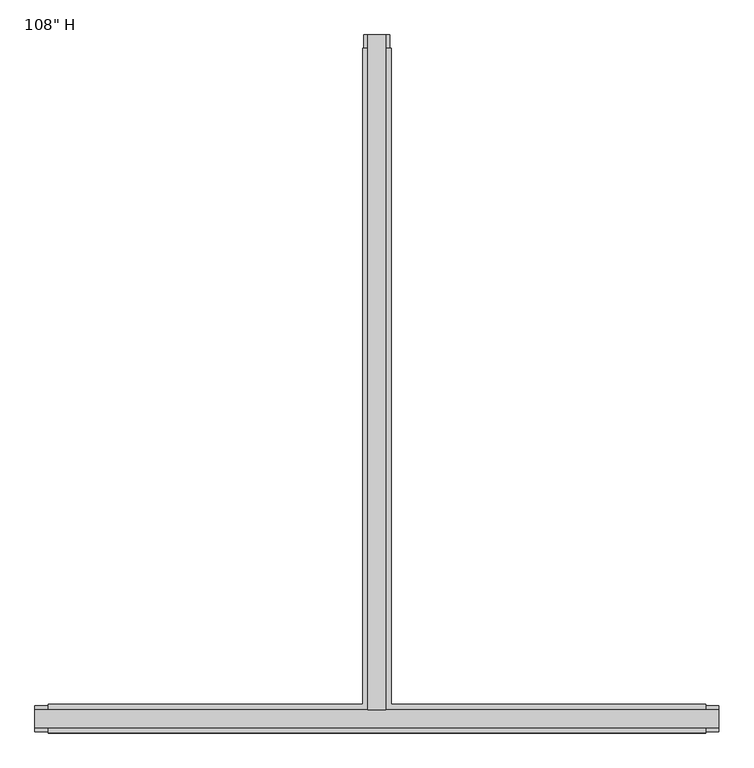
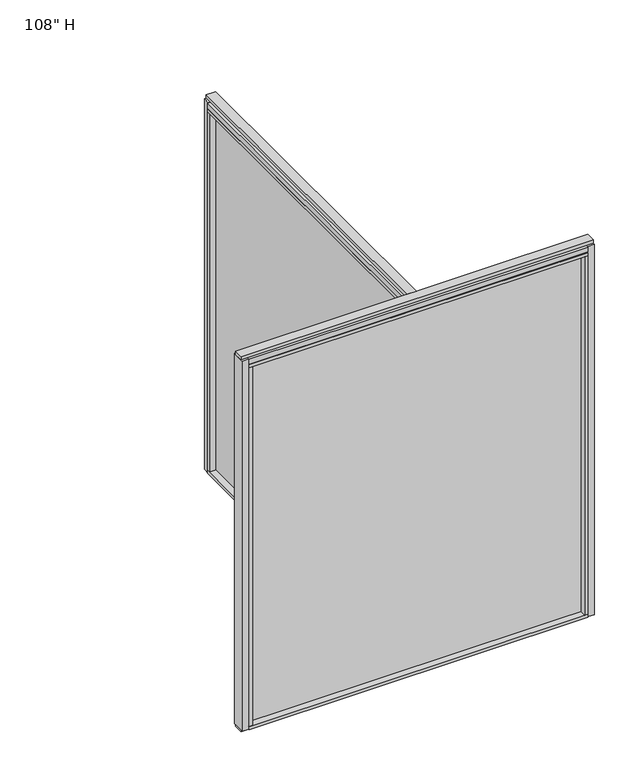
"""IFC4 building model written with IfcOpenShell, lengths in millimetres: furniture geometry."""

import ifcopenshell
import ifcopenshell.guid

model = None  # the IFC model being written
_history = None  # IfcOwnerHistory: only IFC2X3 demands one
_inside = {}  # id of a spatial element -> (the spatial element, [elements in it])
_under = {}  # id of a project, library or spatial element -> (it, [spatial elements below it])
_declared = {}  # id of a project -> (the project, [libraries it declares])
_typed = {}  # id of a type object -> (the type object, [elements of that type])
_made_of = {}  # id of a material, layer set ... -> (it, [elements and type objects made of it])


def new_model(schema):
    """Start an empty IFC model of exactly this schema.

    Asked for "IFC4X3", IfcOpenShell would pick the latest addendum, in which some entities
    have other attributes; the version numbers below select the first issue.
    IFC2X3 requires an IfcOwnerHistory on every rooted entity: one is made here for all.
    """
    global model, _history
    if schema == "IFC4X3":
        model = ifcopenshell.file(schema_version=(4, 3, 0, 0))
    else:
        model = ifcopenshell.file(schema=schema)
    _inside.clear()
    _under.clear()
    _declared.clear()
    _typed.clear()
    _made_of.clear()
    _history = None
    if model.schema == "IFC2X3":
        org = make("IfcOrganization", Name="unknown")
        user = make(
            "IfcPersonAndOrganization",
            ThePerson=make("IfcPerson", FamilyName="unknown"),
            TheOrganization=org,
        )
        app = make(
            "IfcApplication",
            ApplicationDeveloper=org,
            Version="unknown",
            ApplicationFullName="unknown",
            ApplicationIdentifier="unknown",
        )
        _history = make(
            "IfcOwnerHistory",
            OwningUser=user,
            OwningApplication=app,
            ChangeAction="ADDED",
            CreationDate=0,
        )
    return model


def make(cls, **values):
    """One entity of the class cls with the attributes given. An attribute that is None is left unset."""
    return model.create_entity(
        cls, **{name: value for name, value in values.items() if value is not None}
    )


def rooted(cls, **values):
    """An entity with a GlobalId (a new one), such as an element, a storey or a relation."""
    return make(cls, GlobalId=ifcopenshell.guid.new(), OwnerHistory=_history, **values)


def si_unit(unit_type, name, prefix=None):
    """IfcSIUnit, for example si_unit("LENGTHUNIT", "METRE", prefix="MILLI")."""
    return make("IfcSIUnit", UnitType=unit_type, Prefix=prefix, Name=name)


def assignment(units):
    """IfcUnitAssignment: the units of a project."""
    return None if units is None else make("IfcUnitAssignment", Units=units)


def point(xyz):
    """IfcCartesianPoint."""
    return None if xyz is None else make("IfcCartesianPoint", Coordinates=xyz)


def direction(xyz):
    """IfcDirection."""
    return None if xyz is None else make("IfcDirection", DirectionRatios=xyz)


def frame(location, z_axis=None, x_axis=None):
    """IfcAxis2Placement3D, a coordinate frame: its origin and axes. An axis left out is left unset."""
    return make(
        "IfcAxis2Placement3D",
        Location=point(location),
        Axis=direction(z_axis),
        RefDirection=direction(x_axis),
    )


def origin():
    """The frame at (0, 0, 0) with its axes left unset."""
    return frame((0.0, 0.0, 0.0))


def origin_with_axes():
    """The frame at (0, 0, 0) with the z axis (0, 0, 1) and the x axis (1, 0, 0) written out."""
    return frame((0.0, 0.0, 0.0), z_axis=(0.0, 0.0, 1.0), x_axis=(1.0, 0.0, 0.0))


def place(relative_to, where):
    """IfcLocalPlacement: puts the frame where relative to a parent placement (None: the world)."""
    return make(
        "IfcLocalPlacement", PlacementRelTo=relative_to, RelativePlacement=where
    )


def context(
    kind, dimensions, precision=None, world=None, true_north=None, identifier=None
):
    """IfcGeometricRepresentationContext, for example the 3D "Model" context."""
    return make(
        "IfcGeometricRepresentationContext",
        ContextIdentifier=identifier,
        ContextType=kind,
        CoordinateSpaceDimension=dimensions,
        Precision=precision,
        WorldCoordinateSystem=world,
        TrueNorth=true_north,
    )


def project(units=None, contexts=None):
    """IfcProject with its units and contexts."""
    return rooted(
        "IfcProject",
        Name="project",
        RepresentationContexts=contexts,
        UnitsInContext=assignment(units),
    )


def spatial(cls, under=None, at=None, **own):
    """A site, building, storey or space (cls), placed at a placement, below another one or the project."""
    s = rooted(cls, ObjectPlacement=at, **own)
    if under is not None:
        _under.setdefault(under.id(), (under, []))[1].append(s)
    return s


def polyline(points):
    """IfcPolyline through the points."""
    return make("IfcPolyline", Points=[point(p) for p in points])


def outline(outer, holes=None, kind="AREA"):
    """IfcArbitraryClosedProfileDef: a profile drawn as a closed curve; with holes, ...WithVoids."""
    if holes is None:
        return make("IfcArbitraryClosedProfileDef", ProfileType=kind, OuterCurve=outer)
    return make(
        "IfcArbitraryProfileDefWithVoids",
        ProfileType=kind,
        OuterCurve=outer,
        InnerCurves=holes,
    )


def extrude(swept, where, along, depth):
    """IfcExtrudedAreaSolid: the profile swept, set in the frame where, extruded along a direction by depth."""
    return make(
        "IfcExtrudedAreaSolid",
        SweptArea=swept,
        Position=where,
        ExtrudedDirection=direction(along),
        Depth=depth,
    )


def faces_of(points, faces, orient=None, outer=None):
    """IfcFace entities. A face is a list of loops; a loop is a list of indices into points, from 0.

    orient and outer hold one flag for each loop. By default every Orientation is true, the
    first loop of a face is its IfcFaceOuterBound and the others are IfcFaceBound.
    """
    made = []
    for i, loops in enumerate(faces):
        bounds = []
        for j, loop in enumerate(loops):
            is_outer = j == 0 if outer is None else outer[i][j]
            bounds.append(
                make(
                    "IfcFaceOuterBound" if is_outer else "IfcFaceBound",
                    Bound=make("IfcPolyLoop", Polygon=[points[k] for k in loop]),
                    Orientation=True if orient is None else orient[i][j],
                )
            )
        made.append(make("IfcFace", Bounds=bounds))
    return made


def faceted_brep(points, faces, orient=None, outer=None, voids=None):
    """IfcFacetedBrep: a solid bounded by flat faces; with voids (closed shells), ...WithVoids."""
    shared = [point(p) for p in points]
    hull = make("IfcClosedShell", CfsFaces=faces_of(shared, faces, orient, outer))
    if voids is None:
        return make("IfcFacetedBrep", Outer=hull)
    return make(
        "IfcFacetedBrepWithVoids",
        Outer=hull,
        Voids=[
            make(cls, CfsFaces=faces_of(shared, fs, o, b)) for cls, fs, o, b in voids
        ],
    )


def shape(context_of_items, identifier, shape_type, items):
    """IfcShapeRepresentation: the items that make up one representation, for example the "Body"."""
    return make(
        "IfcShapeRepresentation",
        ContextOfItems=context_of_items,
        RepresentationIdentifier=identifier,
        RepresentationType=shape_type,
        Items=items,
    )


def source(mapping_origin, context_of_items, identifier, shape_type, items):
    """IfcRepresentationMap: a shape defined once, which mapped items show again and again."""
    return make(
        "IfcRepresentationMap",
        MappingOrigin=mapping_origin,
        MappedRepresentation=shape(context_of_items, identifier, shape_type, items),
    )


def transform(
    local_origin,
    x_axis=None,
    y_axis=None,
    z_axis=None,
    scale=None,
    scale2=None,
    scale3=None,
    uniform=True,
):
    """IfcCartesianTransformationOperator3D, or its non-uniform kind. x_axis, y_axis, z_axis: its Axis1, 2, 3."""
    if uniform:
        return make(
            "IfcCartesianTransformationOperator3D",
            Axis1=direction(x_axis),
            Axis2=direction(y_axis),
            LocalOrigin=point(local_origin),
            Scale=scale,
            Axis3=direction(z_axis),
        )
    return make(
        "IfcCartesianTransformationOperator3DnonUniform",
        Axis1=direction(x_axis),
        Axis2=direction(y_axis),
        LocalOrigin=point(local_origin),
        Scale=scale,
        Axis3=direction(z_axis),
        Scale2=scale2,
        Scale3=scale3,
    )


def mapped(mapping_source, mapping_target):
    """IfcMappedItem: shows the shape of a source again, moved by a transform."""
    return make(
        "IfcMappedItem", MappingSource=mapping_source, MappingTarget=mapping_target
    )


def made_of(thing, what):
    """Note that an element or type object is made of a material, layer set ...; save() writes the relation."""
    if what is not None:
        _made_of.setdefault(what.id(), (what, []))[1].append(thing)
    return thing


def element(
    cls,
    number,
    at=None,
    inside=None,
    cuts=None,
    type_object=None,
    material=None,
    context=None,
    identifier="Body",
    shape_type=None,
    held_by="IfcProductDefinitionShape",
    body=None,
    shapes=None,
    **own,
):
    """One element of the class cls, such as IfcWall. Its Tag is "e" and its number.

    at: its placement. inside: the storey or other place that contains it. cuts: it is an
    opening in that element (IfcRelVoidsElement). A single representation is given by context,
    identifier, shape_type and body (its items); several are given by shapes. held_by: the class
    of the entity that holds the representations. save() writes the other relations.
    """
    e = rooted(cls, Tag="e%d" % number, ObjectPlacement=at, **own)
    if body is not None:
        shapes = [shape(context, identifier, shape_type, body)]
    if shapes is not None:
        e.Representation = make(held_by, Representations=shapes)
    if inside is not None:
        _inside.setdefault(inside.id(), (inside, []))[1].append(e)
    if cuts is not None:
        rooted(
            "IfcRelVoidsElement", RelatingBuildingElement=cuts, RelatedOpeningElement=e
        )
    if type_object is not None:
        _typed.setdefault(type_object.id(), (type_object, []))[1].append(e)
    return made_of(e, material)


def aggregate(whole, parts):
    """IfcRelAggregates: a whole, such as a stair, and the parts it consists of."""
    return rooted("IfcRelAggregates", RelatingObject=whole, RelatedObjects=parts)


def save(model, path):
    """Write the relations noted so far, then the file.

    IfcRelAggregates (storeys below a building ...), IfcRelContainedInSpatialStructure (elements
    in a storey), IfcRelDefinesByType, IfcRelAssociatesMaterial and IfcRelDeclares: one each for
    every whole, place, type object, material and project.
    """
    for whole, parts in _under.values():
        aggregate(whole, parts)
    for where, things in _inside.values():
        rooted(
            "IfcRelContainedInSpatialStructure",
            RelatedElements=things,
            RelatingStructure=where,
        )
    for kind, things in _typed.values():
        rooted("IfcRelDefinesByType", RelatedObjects=things, RelatingType=kind)
    for what, things in _made_of.values():
        rooted("IfcRelAssociatesMaterial", RelatedObjects=things, RelatingMaterial=what)
    for by, libraries in _declared.values():
        rooted("IfcRelDeclares", RelatingContext=by, RelatedDefinitions=libraries)
    model.write(path)


def furniture_6ad2f575(model_context):
    return source(origin(), model_context, "Body", "SolidModel", [
        extrude(outline(polyline([(-65.1165229, 0.5622784), (-65.1165229, 2364.7942784), (-54.9565229, 2364.7942784), (-54.9565229, 0.5622784), (-65.1165229, 0.5622784)])), frame((0.0, 0.0, 31.75), z_axis=(0.0, 0.0, 1.0), x_axis=(1.0, 0.0, 0.0)), (0.0, 0.0, 1.0), 2622.55),
        extrude(outline(polyline([(1090.0754771, -9.5977216), (-1210.1485229, -9.5977216), (-1210.1485229, 0.5622784), (1090.0754771, 0.5622784), (1090.0754771, -9.5977216)])), frame((0.0, 0.0, 31.75), z_axis=(0.0, 0.0, 1.0), x_axis=(1.0, 0.0, 0.0)), (0.0, 0.0, 1.0), 2622.55),
        extrude(outline(polyline([(-110.8365229, 2387.0192784), (-9.2365229, 2387.0192784), (-9.2365229, 46.2822784), (1112.3004771, 46.2822784), (1112.3004771, -55.3177216), (-1232.3735229, -55.3177216), (-1232.3735229, 46.2822784), (-110.8365229, 46.2822784), (-110.8365229, 2387.0192784)])), frame((0.0, 0.0, 2654.3), z_axis=(0.0, 0.0, 1.0), x_axis=(1.0, 0.0, 0.0)), (0.0, 0.0, 1.0), 22.225),
        faceted_brep([(-105.8835229, 46.2822784, 2681.478), (-105.8835229, 46.2822784, 2676.525), (-14.1895229, 46.2822784, 2676.525), (-14.1895229, 46.2822784, 2681.478), (-110.8365229, 2387.0192784, 2681.478), (-110.8365229, 2387.0192784, 2717.8), (-9.2365229, 2387.0192784, 2717.8), (-9.2365229, 2387.0192784, 2681.478), (-14.1895229, 2387.0192784, 2681.478), (-14.1895229, 2387.0192784, 2676.525), (-105.8835229, 2387.0192784, 2676.525), (-105.8835229, 2387.0192784, 2681.478), (-9.2365229, 46.2822784, 2681.478), (1112.3004771, 46.2822784, 2681.478), (1112.3004771, 41.3292784, 2681.478), (-1232.3735229, 41.3292784, 2681.478), (-1232.3735229, 46.2822784, 2681.478), (-110.8365229, 46.2822784, 2681.478), (-9.2365229, 46.2822784, 2717.8), (-110.8365229, 46.2822784, 2717.8), (-1232.3735229, 46.2822784, 2717.8), (-1232.3735229, -55.3177216, 2717.8), (1112.3004771, -55.3177216, 2717.8), (1112.3004771, 46.2822784, 2717.8), (-1232.3735229, -55.3177216, 2681.478), (-1232.3735229, 41.3292784, 2676.525), (-1232.3735229, -50.3647216, 2676.525), (-1232.3735229, -50.3647216, 2681.478), (1112.3004771, -55.3177216, 2681.478), (1112.3004771, -50.3647216, 2681.478), (1112.3004771, -50.3647216, 2676.525), (1112.3004771, 41.3292784, 2676.525)], [[[0, 1, 2, 3]], [[4, 5, 6, 7, 8, 9, 10, 11]], [[4, 11, 0, 3, 8, 7, 12, 13, 14, 15, 16, 17]], [[1, 0, 11, 10]], [[2, 1, 10, 9]], [[3, 2, 9, 8]], [[7, 6, 18, 12]], [[6, 5, 19, 20, 21, 22, 23, 18]], [[5, 4, 17, 19]], [[24, 21, 20, 16, 15, 25, 26, 27]], [[28, 29, 30, 31, 14, 13, 23, 22]], [[24, 27, 29, 28]], [[16, 20, 19, 17]], [[23, 13, 12, 18]], [[21, 24, 28, 22]], [[25, 15, 14, 31]], [[26, 25, 31, 30]], [[27, 26, 30, 29]]]),
        extrude(outline(polyline([(-110.8365229, 2387.0192784), (-9.2365229, 2387.0192784), (-9.2365229, 46.2822784), (1112.3004771, 46.2822784), (1112.3004771, -55.3177216), (-1232.3735229, -55.3177216), (-1232.3735229, 46.2822784), (-110.8365229, 46.2822784), (-110.8365229, 2387.0192784)])), frame((0.0, 0.0, 9.525), z_axis=(0.0, 0.0, 1.0), x_axis=(1.0, 0.0, 0.0)), (0.0, 0.0, 1.0), 22.225),
        extrude(outline(polyline([(-27.5245229, 27.9942784), (-92.5485229, 27.9942784), (-92.5485229, 2433.8822784), (-27.5245229, 2433.8822784), (-27.5245229, 27.9942784)])), origin_with_axes(), (0.0, 0.0, 1.0), 9.525),
        extrude(outline(polyline([(-110.8365229, 2387.0192784), (-9.2365229, 2387.0192784), (-9.2365229, 2364.7942784), (-110.8365229, 2364.7942784), (-110.8365229, 2387.0192784)])), frame((0.0, 0.0, 31.75), z_axis=(0.0, 0.0, 1.0), x_axis=(1.0, 0.0, 0.0)), (0.0, 0.0, 1.0), 2622.55),
        extrude(outline(polyline([(-105.8835229, 2433.8822784), (-14.1895229, 2433.8822784), (-14.1895229, 2387.0192784), (-105.8835229, 2387.0192784), (-105.8835229, 2433.8822784)])), frame((0.0, 0.0, 9.525), z_axis=(0.0, 0.0, 1.0), x_axis=(1.0, 0.0, 0.0)), (0.0, 0.0, 1.0), 2708.275),
        extrude(outline(polyline([(-27.5245229, 27.9942784), (-92.5485229, 27.9942784), (-92.5485229, 2433.8822784), (-27.5245229, 2433.8822784), (-27.5245229, 27.9942784)])), frame((0.0, 0.0, 2717.8), z_axis=(0.0, 0.0, 1.0), x_axis=(1.0, 0.0, 0.0)), (0.0, 0.0, 1.0), 25.4),
        extrude(outline(polyline([(1159.1634771, 27.9942784), (1159.1634771, -37.0297216), (-1279.2365229, -37.0297216), (-1279.2365229, 27.9942784), (1159.1634771, 27.9942784)])), origin_with_axes(), (0.0, 0.0, 1.0), 9.525),
        extrude(outline(polyline([(-1279.2365229, -37.0297216), (-1279.2365229, 27.9942784), (1159.1634771, 27.9942784), (1159.1634771, -37.0297216), (-1279.2365229, -37.0297216)])), frame((0.0, 0.0, 2717.8), z_axis=(0.0, 0.0, 1.0), x_axis=(1.0, 0.0, 0.0)), (0.0, 0.0, 1.0), 25.4),
        extrude(outline(polyline([(1090.0754771, -55.3177216), (1090.0754771, 46.2822784), (1112.3004771, 46.2822784), (1112.3004771, -55.3177216), (1090.0754771, -55.3177216)])), frame((0.0, 0.0, 31.75), z_axis=(0.0, 0.0, 1.0), x_axis=(1.0, 0.0, 0.0)), (0.0, 0.0, 1.0), 2622.55),
        extrude(outline(polyline([(-1210.1485229, -55.3177216), (-1232.3735229, -55.3177216), (-1232.3735229, 46.2822784), (-1210.1485229, 46.2822784), (-1210.1485229, -55.3177216)])), frame((0.0, 0.0, 31.75), z_axis=(0.0, 0.0, 1.0), x_axis=(1.0, 0.0, 0.0)), (0.0, 0.0, 1.0), 2622.55),
        extrude(outline(polyline([(1159.1634771, -50.3647216), (1112.3004771, -50.3647216), (1112.3004771, 41.3292784), (1159.1634771, 41.3292784), (1159.1634771, -50.3647216)])), frame((0.0, 0.0, 9.525), z_axis=(0.0, 0.0, 1.0), x_axis=(1.0, 0.0, 0.0)), (0.0, 0.0, 1.0), 2708.275),
        extrude(outline(polyline([(-1279.2365229, -50.3647216), (-1279.2365229, 41.3292784), (-1232.3735229, 41.3292784), (-1232.3735229, -50.3647216), (-1279.2365229, -50.3647216)])), frame((0.0, 0.0, 9.525), z_axis=(0.0, 0.0, 1.0), x_axis=(1.0, 0.0, 0.0)), (0.0, 0.0, 1.0), 2708.275),
    ])


if __name__ == "__main__":
    model = new_model("IFC4")
    model_context = context("Model", 3, world=origin())
    ifc_project = project(units=[si_unit("LENGTHUNIT", "METRE", prefix="MILLI")], contexts=[model_context])
    site = spatial("IfcSite", under=ifc_project)
    building = spatial("IfcBuilding", under=site)
    placement = place(None, origin())
    furniture_shape = furniture_6ad2f575(model_context)
    element("IfcFurniture", 1, ObjectType="108\" H", at=placement, inside=building, context=model_context, shape_type="MappedRepresentation", body=[
        mapped(furniture_shape, transform((0.0, 0.0, 0.0), x_axis=(1.0, 0.0, 0.0), y_axis=(0.0, 1.0, 0.0), z_axis=(0.0, 0.0, 1.0))),
    ])
    save(model, "model.ifc")
